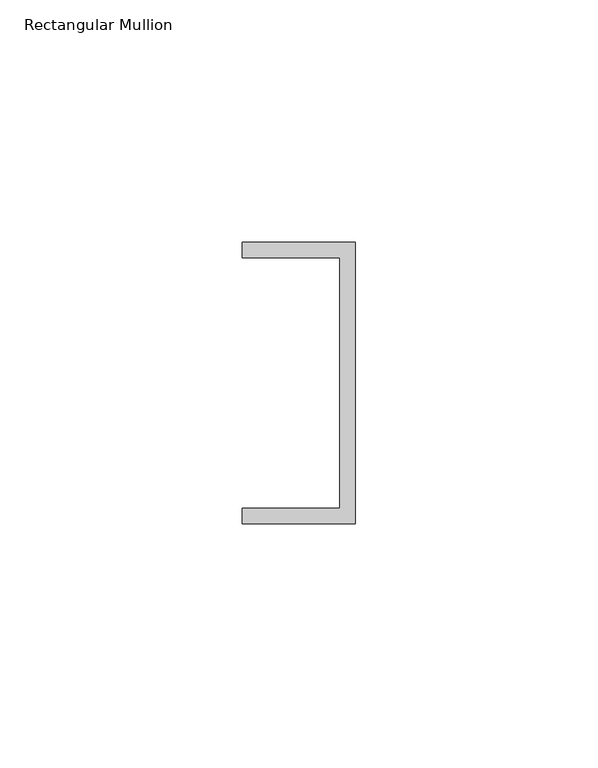
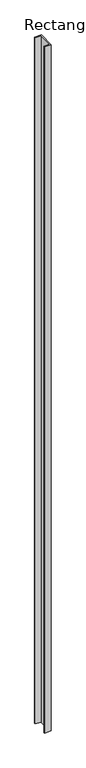
"""IFC4 building model written with IfcOpenShell, lengths in millimetres: member geometry, Rectangular Mullion."""

from ifc_helpers import new_model, si_unit, frame, origin, place, context, project, spatial, polyline, outline, extrude, source, transform, mapped, element, save


def rectangular_mullion_816eeb7a(model_context):
    return source(origin(), model_context, "Body", "SweptSolid", [
        extrude(outline(polyline([(0.0, 29.0214844), (0.0, -29.0214844), (-23.3164063, -29.0214844), (-23.3164063, -25.8464844), (-3.175, -25.8464844), (-3.175, 25.8464844), (-23.3164063, 25.8464844), (-23.3164063, 29.0214844), (0.0, 29.0214844)])), frame((0.0, 0.0, -2498.0304687), z_axis=(0.0, 0.0, 1.0), x_axis=(1.0, 0.0, 0.0)), (0.0, 0.0, 1.0), 2498.0304687),
    ])


if __name__ == "__main__":
    model = new_model("IFC4")
    model_context = context("Model", 3, world=origin())
    ifc_project = project(units=[si_unit("LENGTHUNIT", "METRE", prefix="MILLI")], contexts=[model_context])
    site = spatial("IfcSite", under=ifc_project)
    building = spatial("IfcBuilding", under=site)
    placement = place(None, origin())
    rectangular_mullion_shape = rectangular_mullion_816eeb7a(model_context)
    element("IfcMember", 1, ObjectType="Rectangular Mullion", at=placement, inside=building, context=model_context, shape_type="MappedRepresentation", body=[
        mapped(rectangular_mullion_shape, transform((0.0, 0.0, 0.0), x_axis=(1.0, 0.0, 0.0), y_axis=(0.0, 1.0, 0.0), z_axis=(0.0, 0.0, 1.0))),
    ])
    save(model, "model.ifc")
